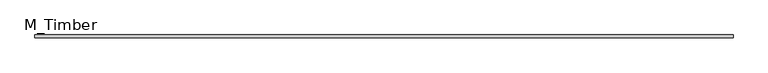
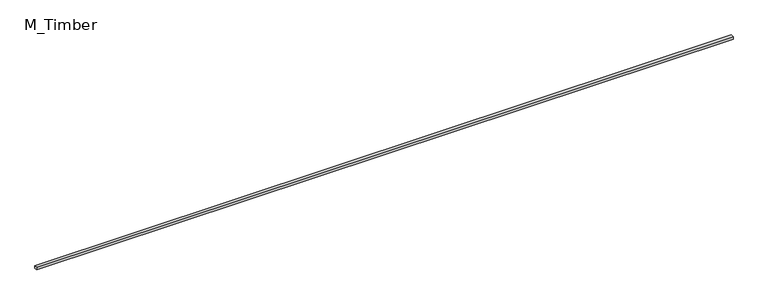
"""IFC4 building model written with IfcOpenShell, lengths in millimetres: beam geometry, M_Timber."""

from ifc_helpers import new_model, si_unit, frame, origin, place, context, project, spatial, polyline, outline, extrude, source, transform, mapped, element, save


def m_timber_51a96dfb(model_context):
    return source(origin(), model_context, "Body", "SweptSolid", [
        extrude(outline(polyline([(4885.4253526, 20.0), (4885.4253526, -20.0), (-4885.4253526, -20.0), (-4885.4253526, 20.0), (4885.4253526, 20.0)])), frame((0.0, 0.0, -20.0), z_axis=(0.0, 0.0, 1.0), x_axis=(1.0, 0.0, 0.0)), (0.0, 0.0, 1.0), 40.0),
    ])


if __name__ == "__main__":
    model = new_model("IFC4")
    model_context = context("Model", 3, world=origin())
    ifc_project = project(units=[si_unit("LENGTHUNIT", "METRE", prefix="MILLI")], contexts=[model_context])
    site = spatial("IfcSite", under=ifc_project)
    building = spatial("IfcBuilding", under=site)
    placement = place(None, origin())
    m_timber_shape = m_timber_51a96dfb(model_context)
    element("IfcBeam", 1, ObjectType="M_Timber", at=placement, inside=building, context=model_context, shape_type="MappedRepresentation", body=[
        mapped(m_timber_shape, transform((0.0, 0.0, 0.0), x_axis=(1.0, 0.0, 0.0), y_axis=(0.0, 1.0, 0.0), z_axis=(0.0, 0.0, 1.0))),
    ])
    save(model, "model.ifc")
